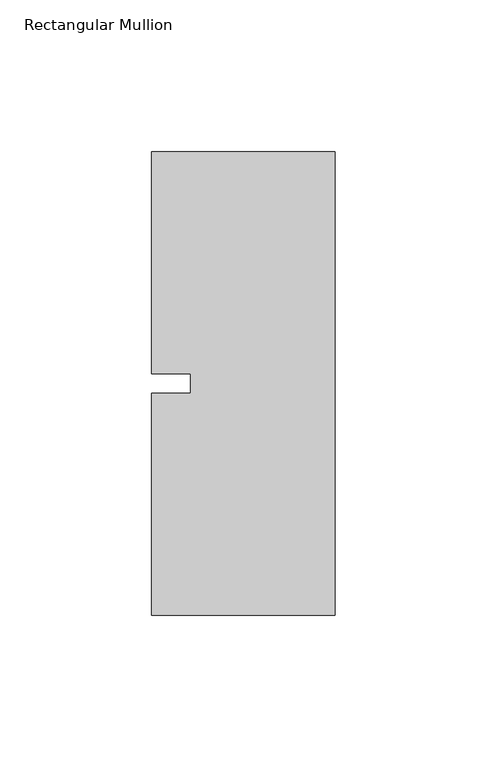
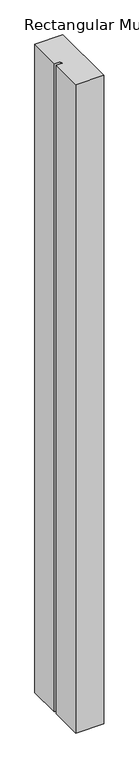
"""IFC4 building model written with IfcOpenShell, lengths in millimetres: member geometry, Rectangular Mullion."""

import ifcopenshell
import ifcopenshell.guid

model = None  # the IFC model being written
_history = None  # IfcOwnerHistory: only IFC2X3 demands one
_inside = {}  # id of a spatial element -> (the spatial element, [elements in it])
_under = {}  # id of a project, library or spatial element -> (it, [spatial elements below it])
_declared = {}  # id of a project -> (the project, [libraries it declares])
_typed = {}  # id of a type object -> (the type object, [elements of that type])
_made_of = {}  # id of a material, layer set ... -> (it, [elements and type objects made of it])


def new_model(schema):
    """Start an empty IFC model of exactly this schema.

    Asked for "IFC4X3", IfcOpenShell would pick the latest addendum, in which some entities
    have other attributes; the version numbers below select the first issue.
    IFC2X3 requires an IfcOwnerHistory on every rooted entity: one is made here for all.
    """
    global model, _history
    if schema == "IFC4X3":
        model = ifcopenshell.file(schema_version=(4, 3, 0, 0))
    else:
        model = ifcopenshell.file(schema=schema)
    _inside.clear()
    _under.clear()
    _declared.clear()
    _typed.clear()
    _made_of.clear()
    _history = None
    if model.schema == "IFC2X3":
        org = make("IfcOrganization", Name="unknown")
        user = make(
            "IfcPersonAndOrganization",
            ThePerson=make("IfcPerson", FamilyName="unknown"),
            TheOrganization=org,
        )
        app = make(
            "IfcApplication",
            ApplicationDeveloper=org,
            Version="unknown",
            ApplicationFullName="unknown",
            ApplicationIdentifier="unknown",
        )
        _history = make(
            "IfcOwnerHistory",
            OwningUser=user,
            OwningApplication=app,
            ChangeAction="ADDED",
            CreationDate=0,
        )
    return model


def make(cls, **values):
    """One entity of the class cls with the attributes given. An attribute that is None is left unset."""
    return model.create_entity(
        cls, **{name: value for name, value in values.items() if value is not None}
    )


def rooted(cls, **values):
    """An entity with a GlobalId (a new one), such as an element, a storey or a relation."""
    return make(cls, GlobalId=ifcopenshell.guid.new(), OwnerHistory=_history, **values)


def si_unit(unit_type, name, prefix=None):
    """IfcSIUnit, for example si_unit("LENGTHUNIT", "METRE", prefix="MILLI")."""
    return make("IfcSIUnit", UnitType=unit_type, Prefix=prefix, Name=name)


def assignment(units):
    """IfcUnitAssignment: the units of a project."""
    return None if units is None else make("IfcUnitAssignment", Units=units)


def point(xyz):
    """IfcCartesianPoint."""
    return None if xyz is None else make("IfcCartesianPoint", Coordinates=xyz)


def direction(xyz):
    """IfcDirection."""
    return None if xyz is None else make("IfcDirection", DirectionRatios=xyz)


def frame(location, z_axis=None, x_axis=None):
    """IfcAxis2Placement3D, a coordinate frame: its origin and axes. An axis left out is left unset."""
    return make(
        "IfcAxis2Placement3D",
        Location=point(location),
        Axis=direction(z_axis),
        RefDirection=direction(x_axis),
    )


def origin():
    """The frame at (0, 0, 0) with its axes left unset."""
    return frame((0.0, 0.0, 0.0))


def place(relative_to, where):
    """IfcLocalPlacement: puts the frame where relative to a parent placement (None: the world)."""
    return make(
        "IfcLocalPlacement", PlacementRelTo=relative_to, RelativePlacement=where
    )


def context(
    kind, dimensions, precision=None, world=None, true_north=None, identifier=None
):
    """IfcGeometricRepresentationContext, for example the 3D "Model" context."""
    return make(
        "IfcGeometricRepresentationContext",
        ContextIdentifier=identifier,
        ContextType=kind,
        CoordinateSpaceDimension=dimensions,
        Precision=precision,
        WorldCoordinateSystem=world,
        TrueNorth=true_north,
    )


def project(units=None, contexts=None):
    """IfcProject with its units and contexts."""
    return rooted(
        "IfcProject",
        Name="project",
        RepresentationContexts=contexts,
        UnitsInContext=assignment(units),
    )


def spatial(cls, under=None, at=None, **own):
    """A site, building, storey or space (cls), placed at a placement, below another one or the project."""
    s = rooted(cls, ObjectPlacement=at, **own)
    if under is not None:
        _under.setdefault(under.id(), (under, []))[1].append(s)
    return s


def polyline(points):
    """IfcPolyline through the points."""
    return make("IfcPolyline", Points=[point(p) for p in points])


def outline(outer, holes=None, kind="AREA"):
    """IfcArbitraryClosedProfileDef: a profile drawn as a closed curve; with holes, ...WithVoids."""
    if holes is None:
        return make("IfcArbitraryClosedProfileDef", ProfileType=kind, OuterCurve=outer)
    return make(
        "IfcArbitraryProfileDefWithVoids",
        ProfileType=kind,
        OuterCurve=outer,
        InnerCurves=holes,
    )


def extrude(swept, where, along, depth):
    """IfcExtrudedAreaSolid: the profile swept, set in the frame where, extruded along a direction by depth."""
    return make(
        "IfcExtrudedAreaSolid",
        SweptArea=swept,
        Position=where,
        ExtrudedDirection=direction(along),
        Depth=depth,
    )


def shape(context_of_items, identifier, shape_type, items):
    """IfcShapeRepresentation: the items that make up one representation, for example the "Body"."""
    return make(
        "IfcShapeRepresentation",
        ContextOfItems=context_of_items,
        RepresentationIdentifier=identifier,
        RepresentationType=shape_type,
        Items=items,
    )


def source(mapping_origin, context_of_items, identifier, shape_type, items):
    """IfcRepresentationMap: a shape defined once, which mapped items show again and again."""
    return make(
        "IfcRepresentationMap",
        MappingOrigin=mapping_origin,
        MappedRepresentation=shape(context_of_items, identifier, shape_type, items),
    )


def transform(
    local_origin,
    x_axis=None,
    y_axis=None,
    z_axis=None,
    scale=None,
    scale2=None,
    scale3=None,
    uniform=True,
):
    """IfcCartesianTransformationOperator3D, or its non-uniform kind. x_axis, y_axis, z_axis: its Axis1, 2, 3."""
    if uniform:
        return make(
            "IfcCartesianTransformationOperator3D",
            Axis1=direction(x_axis),
            Axis2=direction(y_axis),
            LocalOrigin=point(local_origin),
            Scale=scale,
            Axis3=direction(z_axis),
        )
    return make(
        "IfcCartesianTransformationOperator3DnonUniform",
        Axis1=direction(x_axis),
        Axis2=direction(y_axis),
        LocalOrigin=point(local_origin),
        Scale=scale,
        Axis3=direction(z_axis),
        Scale2=scale2,
        Scale3=scale3,
    )


def mapped(mapping_source, mapping_target):
    """IfcMappedItem: shows the shape of a source again, moved by a transform."""
    return make(
        "IfcMappedItem", MappingSource=mapping_source, MappingTarget=mapping_target
    )


def made_of(thing, what):
    """Note that an element or type object is made of a material, layer set ...; save() writes the relation."""
    if what is not None:
        _made_of.setdefault(what.id(), (what, []))[1].append(thing)
    return thing


def element(
    cls,
    number,
    at=None,
    inside=None,
    cuts=None,
    type_object=None,
    material=None,
    context=None,
    identifier="Body",
    shape_type=None,
    held_by="IfcProductDefinitionShape",
    body=None,
    shapes=None,
    **own,
):
    """One element of the class cls, such as IfcWall. Its Tag is "e" and its number.

    at: its placement. inside: the storey or other place that contains it. cuts: it is an
    opening in that element (IfcRelVoidsElement). A single representation is given by context,
    identifier, shape_type and body (its items); several are given by shapes. held_by: the class
    of the entity that holds the representations. save() writes the other relations.
    """
    e = rooted(cls, Tag="e%d" % number, ObjectPlacement=at, **own)
    if body is not None:
        shapes = [shape(context, identifier, shape_type, body)]
    if shapes is not None:
        e.Representation = make(held_by, Representations=shapes)
    if inside is not None:
        _inside.setdefault(inside.id(), (inside, []))[1].append(e)
    if cuts is not None:
        rooted(
            "IfcRelVoidsElement", RelatingBuildingElement=cuts, RelatedOpeningElement=e
        )
    if type_object is not None:
        _typed.setdefault(type_object.id(), (type_object, []))[1].append(e)
    return made_of(e, material)


def aggregate(whole, parts):
    """IfcRelAggregates: a whole, such as a stair, and the parts it consists of."""
    return rooted("IfcRelAggregates", RelatingObject=whole, RelatedObjects=parts)


def save(model, path):
    """Write the relations noted so far, then the file.

    IfcRelAggregates (storeys below a building ...), IfcRelContainedInSpatialStructure (elements
    in a storey), IfcRelDefinesByType, IfcRelAssociatesMaterial and IfcRelDeclares: one each for
    every whole, place, type object, material and project.
    """
    for whole, parts in _under.values():
        aggregate(whole, parts)
    for where, things in _inside.values():
        rooted(
            "IfcRelContainedInSpatialStructure",
            RelatedElements=things,
            RelatingStructure=where,
        )
    for kind, things in _typed.values():
        rooted("IfcRelDefinesByType", RelatedObjects=things, RelatingType=kind)
    for what, things in _made_of.values():
        rooted("IfcRelAssociatesMaterial", RelatedObjects=things, RelatingMaterial=what)
    for by, libraries in _declared.values():
        rooted("IfcRelDeclares", RelatingContext=by, RelatedDefinitions=libraries)
    model.write(path)


def rectangular_mullion_6bccf168(model_context):
    return source(origin(), model_context, "Body", "SweptSolid", [
        extrude(outline(polyline([(-60.325, 76.2), (0.0, 76.2), (0.0, -76.2), (-60.325, -76.2), (-60.325, -3.175), (-47.6232296, -3.175), (-47.6232296, 3.175), (-60.325, 3.175), (-60.325, 76.2)])), frame((0.0, 0.0, -1478.28), z_axis=(0.0, 0.0, 1.0), x_axis=(1.0, 0.0, 0.0)), (0.0, 0.0, 1.0), 1478.28),
    ])


if __name__ == "__main__":
    model = new_model("IFC4")
    model_context = context("Model", 3, world=origin())
    ifc_project = project(units=[si_unit("LENGTHUNIT", "METRE", prefix="MILLI")], contexts=[model_context])
    site = spatial("IfcSite", under=ifc_project)
    building = spatial("IfcBuilding", under=site)
    placement = place(None, origin())
    rectangular_mullion_shape = rectangular_mullion_6bccf168(model_context)
    element("IfcMember", 1, ObjectType="Rectangular Mullion", at=placement, inside=building, context=model_context, shape_type="MappedRepresentation", body=[
        mapped(rectangular_mullion_shape, transform((0.0, 0.0, 0.0), x_axis=(1.0, 0.0, 0.0), y_axis=(0.0, 1.0, 0.0), z_axis=(0.0, 0.0, 1.0))),
    ])
    save(model, "model.ifc")
